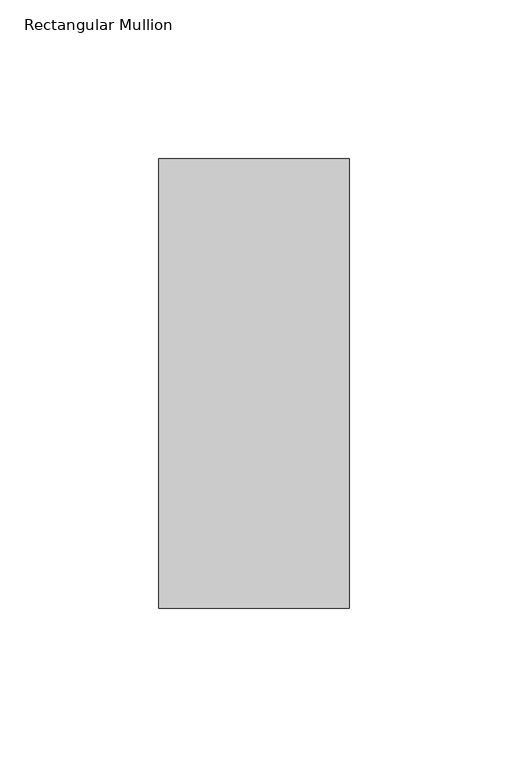
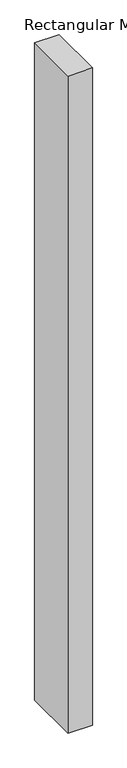
"""IFC4 building model written with IfcOpenShell, lengths in millimetres: member geometry, Rectangular Mullion."""

from ifc_helpers import new_model, si_unit, frame, origin, place, context, project, spatial, polyline, outline, extrude, source, transform, mapped, element, save


def rectangular_mullion_52b66fb8(model_context):
    return source(origin(), model_context, "Body", "SweptSolid", [
        extrude(outline(polyline([(30.0, 98.875), (30.0, -42.875), (-30.0, -42.875), (-30.0, 98.875), (30.0, 98.875)])), frame((0.0, 0.0, -1708.8912252), z_axis=(0.0, 0.0, 1.0), x_axis=(1.0, 0.0, 0.0)), (0.0, 0.0, 1.0), 1708.8912252),
    ])


if __name__ == "__main__":
    model = new_model("IFC4")
    model_context = context("Model", 3, world=origin())
    ifc_project = project(units=[si_unit("LENGTHUNIT", "METRE", prefix="MILLI")], contexts=[model_context])
    site = spatial("IfcSite", under=ifc_project)
    building = spatial("IfcBuilding", under=site)
    placement = place(None, origin())
    rectangular_mullion_shape = rectangular_mullion_52b66fb8(model_context)
    element("IfcMember", 1, ObjectType="Rectangular Mullion", at=placement, inside=building, context=model_context, shape_type="MappedRepresentation", body=[
        mapped(rectangular_mullion_shape, transform((0.0, 0.0, 0.0), x_axis=(1.0, 0.0, 0.0), y_axis=(0.0, 1.0, 0.0), z_axis=(0.0, 0.0, 1.0))),
    ])
    save(model, "model.ifc")
